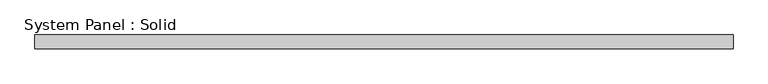
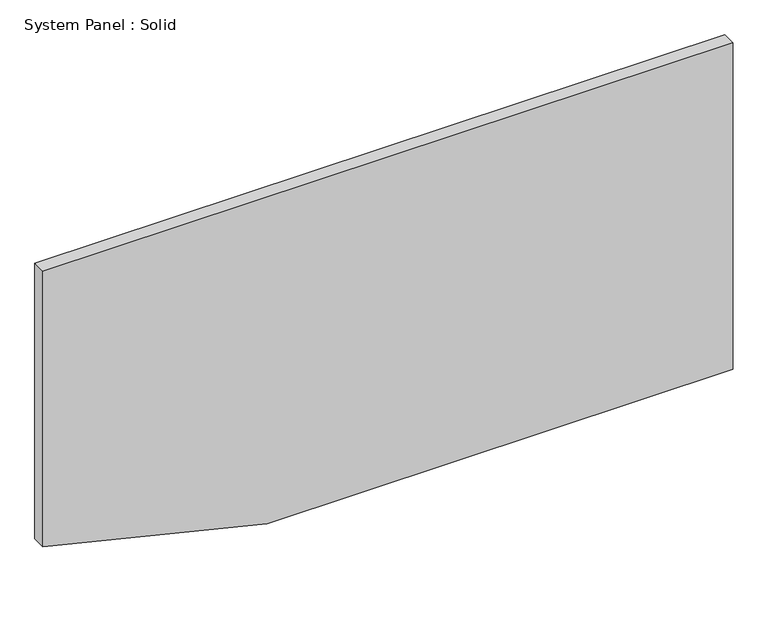
"""IFC4 building model written with IfcOpenShell, lengths in millimetres: plate geometry, System Panel : Solid."""

from ifc_helpers import new_model, si_unit, frame, origin, place, context, project, spatial, polyline, outline, extrude, source, transform, mapped, element, save


def system_panel_solid_abea6516(model_context):
    return source(origin(), model_context, "Body", "SweptSolid", [
        extrude(outline(polyline([(0.0, -524.9043361), (0.0, 1500.0), (1500.0, 1500.0), (1500.0, -1500.0), (235.5993698, -1500.0), (0.0, -524.9043361)])), frame((0.0, -10.5, 0.0), z_axis=(0.0, 1.0, 0.0), x_axis=(0.0, 0.0, 1.0)), (0.0, 0.0, 1.0), 60.0),
    ])


if __name__ == "__main__":
    model = new_model("IFC4")
    model_context = context("Model", 3, world=origin())
    ifc_project = project(units=[si_unit("LENGTHUNIT", "METRE", prefix="MILLI")], contexts=[model_context])
    site = spatial("IfcSite", under=ifc_project)
    building = spatial("IfcBuilding", under=site)
    placement = place(None, origin())
    system_panel_solid_shape = system_panel_solid_abea6516(model_context)
    element("IfcPlate", 1, ObjectType="System Panel : Solid", at=placement, inside=building, context=model_context, shape_type="MappedRepresentation", body=[
        mapped(system_panel_solid_shape, transform((0.0, 0.0, 0.0), x_axis=(1.0, 0.0, 0.0), y_axis=(0.0, 1.0, 0.0), z_axis=(0.0, 0.0, 1.0))),
    ])
    save(model, "model.ifc")
